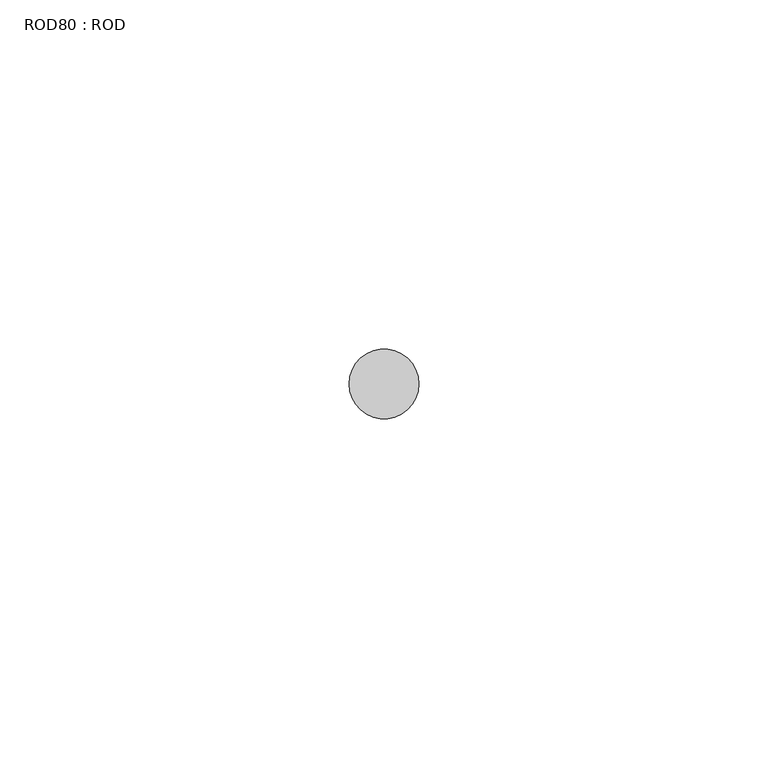
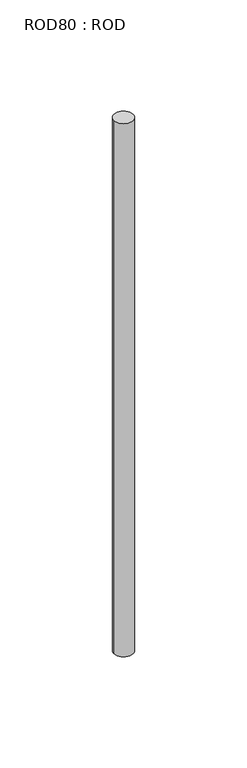
"""IFC4 building model written with IfcOpenShell, lengths in millimetres: proxy geometry, ROD80 : ROD."""

from ifc_helpers import new_model, si_unit, point, frame, frame_2d, origin, place, context, project, spatial, circle_curve, trimmed, segment, composite_curve, outline, extrude, source, transform, mapped, element, save


def rod80_rod_2db99f3c(model_context):
    return source(origin(), model_context, "Body", "SweptSolid", [
        extrude(outline(composite_curve([segment(trimmed(circle_curve(frame_2d((8099.7673324, -10466.6028424)), 5.0), [point((8094.7673324, -10466.6028424))], [point((8104.7673324, -10466.6028424))], False, "CARTESIAN"), True, "CONTINUOUS"), segment(trimmed(circle_curve(frame_2d((8099.7673324, -10466.6028424)), 5.0), [point((8104.7673324, -10466.6028424))], [point((8094.7673324, -10466.6028424))], False, "CARTESIAN"), True, "CONTINUOUS")], self_intersect=False)), frame((0.0, 0.0, -108.6608845), z_axis=(0.0, 0.0, 1.0), x_axis=(1.0, 0.0, 0.0)), (0.0, 0.0, 1.0), 298.9028972),
    ])


if __name__ == "__main__":
    model = new_model("IFC4")
    model_context = context("Model", 3, world=origin())
    ifc_project = project(units=[si_unit("LENGTHUNIT", "METRE", prefix="MILLI")], contexts=[model_context])
    site = spatial("IfcSite", under=ifc_project)
    building = spatial("IfcBuilding", under=site)
    placement = place(None, origin())
    rod80_rod_shape = rod80_rod_2db99f3c(model_context)
    element("IfcBuildingElementProxy", 1, Name="ROD80 : ROD", ObjectType="ROD80 : ROD", at=placement, inside=building, context=model_context, shape_type="MappedRepresentation", body=[
        mapped(rod80_rod_shape, transform((0.0, 0.0, 0.0), x_axis=(1.0, 0.0, 0.0), y_axis=(0.0, 1.0, 0.0), z_axis=(0.0, 0.0, 1.0))),
    ])
    save(model, "model.ifc")
